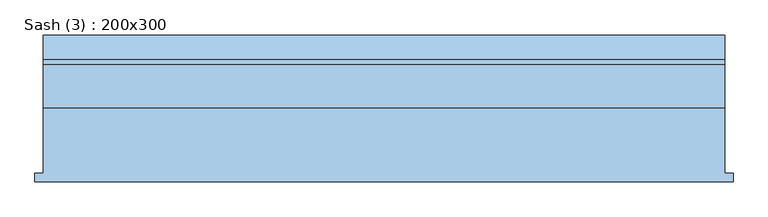
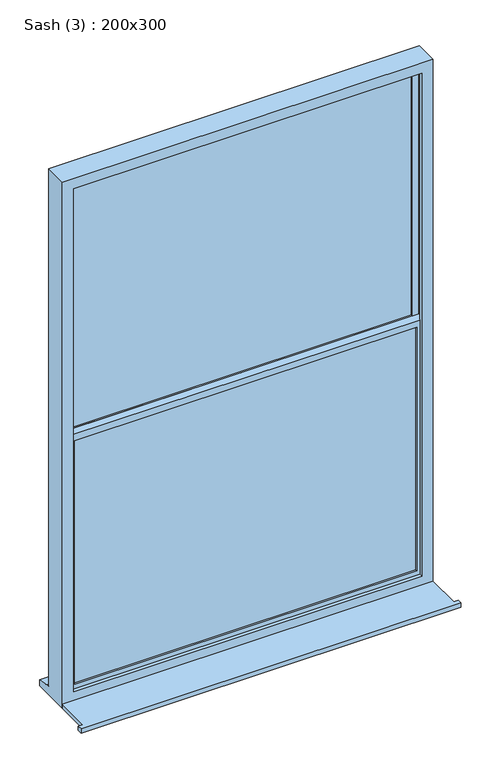
"""IFC4 building model written with IfcOpenShell, lengths in millimetres: window geometry, Sash (3) : 200x300."""

from ifc_helpers import new_model, si_unit, frame, origin, place, context, project, spatial, polyline, outline, extrude, faceted_brep, source, transform, mapped, element, save


def sash_3_200x300_4920e4af(model_context):
    return source(origin(), model_context, "Body", "SolidModel", [
        extrude(outline(polyline([(-1310.0, -226.5434322), (-1310.0, -201.5434322), (-1285.0, -201.5434322), (-1285.0, -9.5434322), (715.0, -9.5434322), (715.0, -201.5434322), (740.0, -201.5434322), (740.0, -226.5434322), (-1310.0, -226.5434322)])), frame((0.0, 0.0, -890.0), z_axis=(0.0, 0.0, 1.0), x_axis=(1.0, 0.0, 0.0)), (0.0, 0.0, 1.0), 25.0),
        extrude(outline(polyline([(647.9289322, 63.9565678), (-1217.9289322, 63.9565678), (-1217.9289322, 87.9565678), (647.9289322, 87.9565678), (647.9289322, 63.9565678)])), frame((0.0, 0.0, 624.5710678), z_axis=(0.0, 0.0, 1.0), x_axis=(1.0, 0.0, 0.0)), (0.0, 0.0, 1.0), 1418.3578644),
        extrude(outline(polyline([(647.9289322, 18.9565678), (-1217.9289322, 18.9565678), (-1217.9289322, 42.9565678), (647.9289322, 42.9565678), (647.9289322, 18.9565678)])), frame((0.0, 0.0, -799.9289322), z_axis=(0.0, 0.0, 1.0), x_axis=(1.0, 0.0, 0.0)), (0.0, 0.0, 1.0), 1407.8578644),
        faceted_brep([(-1285.0, -9.5434322, -890.0), (715.0, -9.5434322, -890.0), (715.0, -9.5434322, 2110.0), (-1285.0, -9.5434322, 2110.0), (-1225.0, -9.5434322, 2050.0), (655.0, -9.5434322, 2050.0), (655.0, -9.5434322, -815.0), (-1225.0, -9.5434322, -815.0), (-1285.0, 116.4565678, 2110.0), (-1285.0, 116.4565678, -839.0), (-1285.0, 131.4565678, -839.7290722), (-1285.0, 131.4565678, -843.4449221), (-1285.0, 203.9565678, -856.1911153), (-1285.0, 203.9565678, -890.0), (715.0, 116.4565678, 2110.0), (715.0, 116.4565678, -839.0), (-1225.0, 116.4565678, 2050.0), (-1225.0, 116.4565678, -827.0), (655.0, 116.4565678, -827.0), (655.0, 116.4565678, 2050.0), (-1225.0, 98.4565678, 2050.0), (-1225.0, 98.4565678, -827.0), (655.0, 98.4565678, 2050.0), (655.0, 98.4565678, -827.0), (675.0, 98.4565678, -827.0), (675.0, 98.4565678, 2070.0), (-1245.0, 98.4565678, 2070.0), (-1245.0, 98.4565678, -827.0), (-1245.0, 8.4565678, 2070.0), (-1245.0, 8.4565678, -827.0), (675.0, 8.4565678, 2070.0), (675.0, 8.4565678, -827.0), (-1225.0, 8.4565678, 2050.0), (-1225.0, 8.4565678, -815.0), (655.0, 8.4565678, -815.0), (655.0, 8.4565678, 2050.0), (715.0, 203.9565678, -890.0), (715.0, 203.9565678, -856.1911153), (715.0, 131.4565678, -843.4449221), (715.0, 131.4565678, -839.7290722)], [[[0, 1, 2, 3], [4, 5, 6, 7]], [[0, 3, 8, 9, 10, 11, 12, 13]], [[9, 8, 14, 15], [16, 17, 18, 19]], [[17, 16, 20, 21]], [[21, 20, 22, 23, 24, 25, 26, 27]], [[27, 26, 28, 29]], [[28, 30, 31, 29], [32, 33, 34, 35]], [[32, 4, 7, 33]], [[3, 2, 14, 8]], [[16, 19, 22, 20]], [[26, 25, 30, 28]], [[5, 4, 32, 35]], [[15, 14, 2, 1, 36, 37, 38, 39]], [[19, 18, 23, 22]], [[25, 24, 31, 30]], [[5, 35, 34, 6]], [[36, 1, 0, 13]], [[37, 36, 13, 12]], [[38, 37, 12, 11]], [[39, 38, 11, 10]], [[15, 39, 10, 9]], [[29, 31, 24, 23, 18, 17, 21, 27]], [[7, 6, 34, 33]]]),
        faceted_brep([(-1245.0, 53.4565678, 2070.4289322), (-1245.0, 98.4565678, 2070.4289322), (-1245.0, 98.4565678, 597.5), (-1245.0, 53.4565678, 597.5), (-1207.9289322, 63.9565678, 2033.3578644), (-1207.9289322, 53.4565678, 2033.3578644), (-1207.9289322, 53.4565678, 634.5710678), (-1207.9289322, 63.9565678, 634.5710678), (-1217.9289322, 87.9565678, 2043.3578644), (-1217.9289322, 63.9565678, 2043.3578644), (-1217.9289322, 63.9565678, 624.5710678), (-1217.9289322, 87.9565678, 624.5710678), (-1207.9289322, 98.4565678, 2033.3578644), (-1207.9289322, 87.9565678, 2033.3578644), (-1207.9289322, 87.9565678, 634.5710678), (-1207.9289322, 98.4565678, 634.5710678), (675.0, 98.4565678, 597.5), (675.0, 53.4565678, 597.5), (637.9289322, 53.4565678, 634.5710678), (637.9289322, 63.9565678, 634.5710678), (647.9289322, 63.9565678, 624.5710678), (647.9289322, 87.9565678, 624.5710678), (637.9289322, 87.9565678, 634.5710678), (637.9289322, 98.4565678, 634.5710678), (675.0, 98.4565678, 2070.4289322), (675.0, 53.4565678, 2070.4289322), (637.9289322, 53.4565678, 2033.3578644), (637.9289322, 63.9565678, 2033.3578644), (647.9289322, 63.9565678, 2043.3578644), (647.9289322, 87.9565678, 2043.3578644), (637.9289322, 87.9565678, 2033.3578644), (637.9289322, 98.4565678, 2033.3578644)], [[[0, 1, 2, 3]], [[4, 5, 6, 7]], [[8, 9, 10, 11]], [[12, 13, 14, 15]], [[3, 2, 16, 17]], [[7, 6, 18, 19]], [[11, 10, 20, 21]], [[15, 14, 22, 23]], [[17, 16, 24, 25]], [[19, 18, 26, 27]], [[21, 20, 28, 29]], [[23, 22, 30, 31]], [[25, 24, 1, 0]], [[3, 17, 25, 0], [5, 26, 18, 6]], [[27, 26, 5, 4]], [[9, 28, 20, 10], [7, 19, 27, 4]], [[29, 28, 9, 8]], [[11, 21, 29, 8], [13, 30, 22, 14]], [[31, 30, 13, 12]], [[1, 24, 16, 2], [15, 23, 31, 12]]]),
        faceted_brep([(-1245.0, 8.4565678, 635.0), (-1245.0, 53.4565678, 635.0), (-1245.0, 53.4565678, -827.0), (-1245.0, 8.4565678, -827.0), (-1207.9289322, 18.9565678, 597.9289322), (-1207.9289322, 8.4565678, 597.9289322), (-1207.9289322, 8.4565678, -789.9289322), (-1207.9289322, 18.9565678, -789.9289322), (-1217.9289322, 42.9565678, 607.9289322), (-1217.9289322, 18.9565678, 607.9289322), (-1217.9289322, 18.9565678, -799.9289322), (-1217.9289322, 42.9565678, -799.9289322), (-1207.9289322, 53.4565678, 597.9289322), (-1207.9289322, 42.9565678, 597.9289322), (-1207.9289322, 42.9565678, -789.9289322), (-1207.9289322, 53.4565678, -789.9289322), (675.0, 53.4565678, -827.0), (675.0, 8.4565678, -827.0), (637.9289322, 8.4565678, -789.9289322), (637.9289322, 18.9565678, -789.9289322), (647.9289322, 18.9565678, -799.9289322), (647.9289322, 42.9565678, -799.9289322), (637.9289322, 42.9565678, -789.9289322), (637.9289322, 53.4565678, -789.9289322), (675.0, 53.4565678, 635.0), (675.0, 8.4565678, 635.0), (637.9289322, 8.4565678, 597.9289322), (637.9289322, 18.9565678, 597.9289322), (647.9289322, 18.9565678, 607.9289322), (647.9289322, 42.9565678, 607.9289322), (637.9289322, 42.9565678, 597.9289322), (637.9289322, 53.4565678, 597.9289322)], [[[0, 1, 2, 3]], [[4, 5, 6, 7]], [[8, 9, 10, 11]], [[12, 13, 14, 15]], [[3, 2, 16, 17]], [[7, 6, 18, 19]], [[11, 10, 20, 21]], [[15, 14, 22, 23]], [[17, 16, 24, 25]], [[19, 18, 26, 27]], [[21, 20, 28, 29]], [[23, 22, 30, 31]], [[25, 24, 1, 0]], [[3, 17, 25, 0], [5, 26, 18, 6]], [[27, 26, 5, 4]], [[9, 28, 20, 10], [7, 19, 27, 4]], [[29, 28, 9, 8]], [[11, 21, 29, 8], [13, 30, 22, 14]], [[31, 30, 13, 12]], [[1, 24, 16, 2], [15, 23, 31, 12]]]),
        extrude(outline(polyline([(624.5710678, 166.4644661), (624.5710678, 186.4644661), (1323.9644661, 186.4644661), (1323.9644661, 647.9289322), (1343.9644661, 647.9289322), (1343.9644661, 186.4644661), (2042.9289322, 186.4644661), (2042.9289322, 166.4644661), (1343.9644661, 166.4644661), (1343.9644661, -275.0), (2042.9289322, -275.0), (2042.9289322, -295.0), (1343.9644661, -295.0), (1343.9644661, -736.4644661), (2042.9289322, -736.4644661), (2042.9289322, -756.4644661), (1343.9644661, -756.4644661), (1343.9644661, -1217.9289322), (1323.9644661, -1217.9289322), (1323.9644661, -756.4644661), (624.5710678, -756.4644661), (624.5710678, -736.4644661), (1323.9644661, -736.4644661), (1323.9644661, -295.0), (624.5710678, -295.0), (624.5710678, -275.0), (1323.9644661, -275.0), (1323.9644661, 166.4644661), (624.5710678, 166.4644661)])), frame((0.0, 71.9565678, 0.0), z_axis=(0.0, 1.0, 0.0), x_axis=(0.0, 0.0, 1.0)), (0.0, 0.0, 1.0), 8.0),
        extrude(outline(polyline([(-799.9289322, 166.4644661), (-799.9289322, 186.4644661), (-124.75, 186.4644661), (-124.75, 647.9289322), (-104.75, 647.9289322), (-104.75, 186.4644661), (607.9289322, 186.4644661), (607.9289322, 166.4644661), (-104.75, 166.4644661), (-104.75, -275.0), (607.9289322, -275.0), (607.9289322, -295.0), (-104.75, -295.0), (-104.75, -736.4644661), (607.9289322, -736.4644661), (607.9289322, -756.4644661), (-104.75, -756.4644661), (-104.75, -1217.9289322), (-124.75, -1217.9289322), (-124.75, -756.4644661), (-799.9289322, -756.4644661), (-799.9289322, -736.4644661), (-124.75, -736.4644661), (-124.75, -295.0), (-799.9289322, -295.0), (-799.9289322, -275.0), (-124.75, -275.0), (-124.75, 166.4644661), (-799.9289322, 166.4644661)])), frame((0.0, 26.9565678, 0.0), z_axis=(0.0, 1.0, 0.0), x_axis=(0.0, 0.0, 1.0)), (0.0, 0.0, 1.0), 8.0),
    ])


if __name__ == "__main__":
    model = new_model("IFC4")
    model_context = context("Model", 3, world=origin())
    ifc_project = project(units=[si_unit("LENGTHUNIT", "METRE", prefix="MILLI")], contexts=[model_context])
    site = spatial("IfcSite", under=ifc_project)
    building = spatial("IfcBuilding", under=site)
    placement = place(None, origin())
    sash_3_200x300_shape = sash_3_200x300_4920e4af(model_context)
    element("IfcWindow", 1, ObjectType="Sash (3) : 200x300", at=placement, inside=building, context=model_context, shape_type="MappedRepresentation", body=[
        mapped(sash_3_200x300_shape, transform((0.0, 0.0, 0.0), x_axis=(1.0, 0.0, 0.0), y_axis=(0.0, 1.0, 0.0), z_axis=(0.0, 0.0, 1.0))),
    ])
    save(model, "model.ifc")
